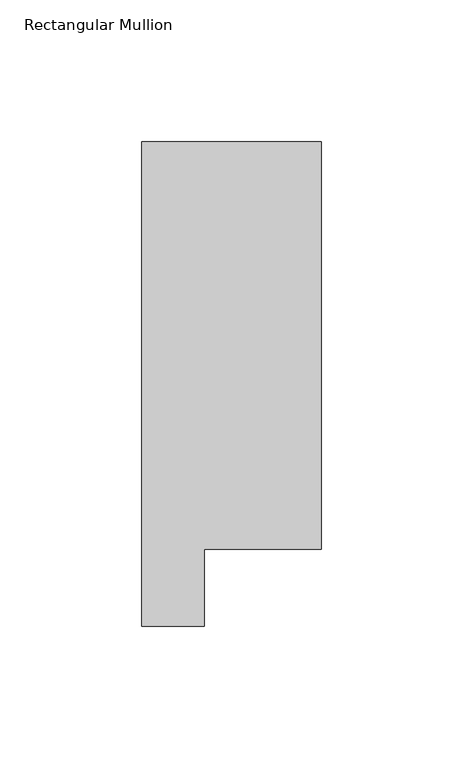
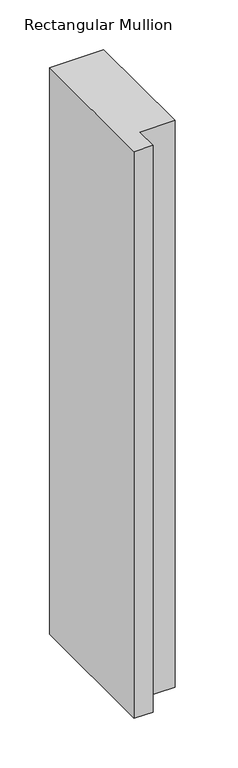
"""IFC4 building model written with IfcOpenShell, lengths in millimetres: member geometry, Rectangular Mullion."""

from ifc_helpers import new_model, si_unit, frame, origin, place, context, project, spatial, polyline, outline, extrude, source, transform, mapped, element, save


def rectangular_mullion_b41a264c(model_context):
    return source(origin(), model_context, "Body", "SweptSolid", [
        extrude(outline(polyline([(-63.5, 190.7881312), (0.0, 190.7881312), (0.0, 46.7447302), (-41.2877, 46.7447302), (-41.2877, 19.5667312), (-63.5, 19.5667312), (-63.5, 190.7881312)])), frame((0.0, 0.0, -698.5000003), z_axis=(0.0, 0.0, 1.0), x_axis=(1.0, 0.0, 0.0)), (0.0, 0.0, 1.0), 698.5000003),
    ])


if __name__ == "__main__":
    model = new_model("IFC4")
    model_context = context("Model", 3, world=origin())
    ifc_project = project(units=[si_unit("LENGTHUNIT", "METRE", prefix="MILLI")], contexts=[model_context])
    site = spatial("IfcSite", under=ifc_project)
    building = spatial("IfcBuilding", under=site)
    placement = place(None, origin())
    rectangular_mullion_shape = rectangular_mullion_b41a264c(model_context)
    element("IfcMember", 1, ObjectType="Rectangular Mullion", at=placement, inside=building, context=model_context, shape_type="MappedRepresentation", body=[
        mapped(rectangular_mullion_shape, transform((0.0, 0.0, 0.0), x_axis=(1.0, 0.0, 0.0), y_axis=(0.0, 1.0, 0.0), z_axis=(0.0, 0.0, 1.0))),
    ])
    save(model, "model.ifc")
